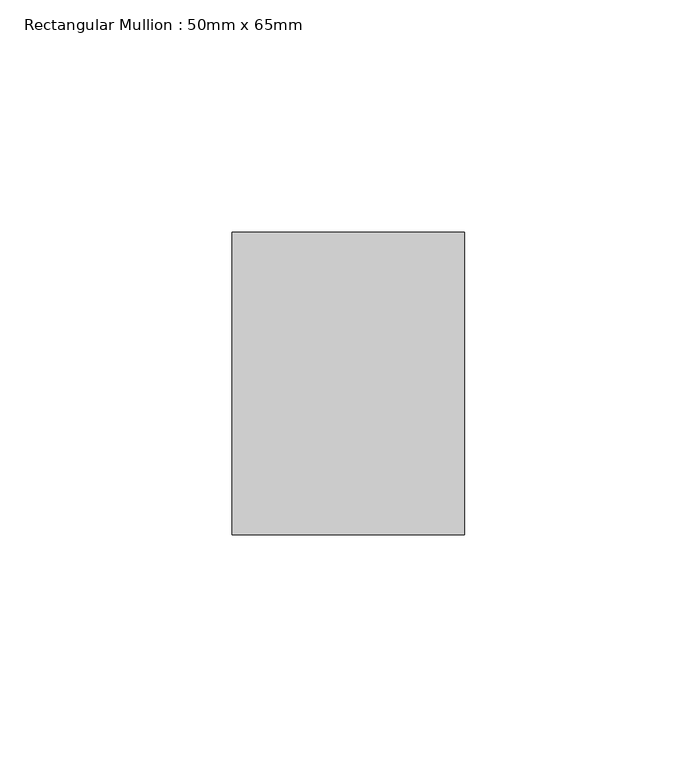
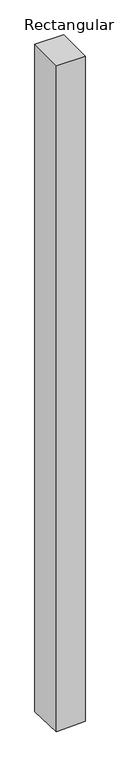
"""IFC4 building model written with IfcOpenShell, lengths in millimetres: member geometry, Rectangular Mullion : 50mm x 65mm."""

import ifcopenshell
import ifcopenshell.guid

model = None  # the IFC model being written
_history = None  # IfcOwnerHistory: only IFC2X3 demands one
_inside = {}  # id of a spatial element -> (the spatial element, [elements in it])
_under = {}  # id of a project, library or spatial element -> (it, [spatial elements below it])
_declared = {}  # id of a project -> (the project, [libraries it declares])
_typed = {}  # id of a type object -> (the type object, [elements of that type])
_made_of = {}  # id of a material, layer set ... -> (it, [elements and type objects made of it])


def new_model(schema):
    """Start an empty IFC model of exactly this schema.

    Asked for "IFC4X3", IfcOpenShell would pick the latest addendum, in which some entities
    have other attributes; the version numbers below select the first issue.
    IFC2X3 requires an IfcOwnerHistory on every rooted entity: one is made here for all.
    """
    global model, _history
    if schema == "IFC4X3":
        model = ifcopenshell.file(schema_version=(4, 3, 0, 0))
    else:
        model = ifcopenshell.file(schema=schema)
    _inside.clear()
    _under.clear()
    _declared.clear()
    _typed.clear()
    _made_of.clear()
    _history = None
    if model.schema == "IFC2X3":
        org = make("IfcOrganization", Name="unknown")
        user = make(
            "IfcPersonAndOrganization",
            ThePerson=make("IfcPerson", FamilyName="unknown"),
            TheOrganization=org,
        )
        app = make(
            "IfcApplication",
            ApplicationDeveloper=org,
            Version="unknown",
            ApplicationFullName="unknown",
            ApplicationIdentifier="unknown",
        )
        _history = make(
            "IfcOwnerHistory",
            OwningUser=user,
            OwningApplication=app,
            ChangeAction="ADDED",
            CreationDate=0,
        )
    return model


def make(cls, **values):
    """One entity of the class cls with the attributes given. An attribute that is None is left unset."""
    return model.create_entity(
        cls, **{name: value for name, value in values.items() if value is not None}
    )


def rooted(cls, **values):
    """An entity with a GlobalId (a new one), such as an element, a storey or a relation."""
    return make(cls, GlobalId=ifcopenshell.guid.new(), OwnerHistory=_history, **values)


def si_unit(unit_type, name, prefix=None):
    """IfcSIUnit, for example si_unit("LENGTHUNIT", "METRE", prefix="MILLI")."""
    return make("IfcSIUnit", UnitType=unit_type, Prefix=prefix, Name=name)


def assignment(units):
    """IfcUnitAssignment: the units of a project."""
    return None if units is None else make("IfcUnitAssignment", Units=units)


def point(xyz):
    """IfcCartesianPoint."""
    return None if xyz is None else make("IfcCartesianPoint", Coordinates=xyz)


def direction(xyz):
    """IfcDirection."""
    return None if xyz is None else make("IfcDirection", DirectionRatios=xyz)


def frame(location, z_axis=None, x_axis=None):
    """IfcAxis2Placement3D, a coordinate frame: its origin and axes. An axis left out is left unset."""
    return make(
        "IfcAxis2Placement3D",
        Location=point(location),
        Axis=direction(z_axis),
        RefDirection=direction(x_axis),
    )


def origin():
    """The frame at (0, 0, 0) with its axes left unset."""
    return frame((0.0, 0.0, 0.0))


def place(relative_to, where):
    """IfcLocalPlacement: puts the frame where relative to a parent placement (None: the world)."""
    return make(
        "IfcLocalPlacement", PlacementRelTo=relative_to, RelativePlacement=where
    )


def context(
    kind, dimensions, precision=None, world=None, true_north=None, identifier=None
):
    """IfcGeometricRepresentationContext, for example the 3D "Model" context."""
    return make(
        "IfcGeometricRepresentationContext",
        ContextIdentifier=identifier,
        ContextType=kind,
        CoordinateSpaceDimension=dimensions,
        Precision=precision,
        WorldCoordinateSystem=world,
        TrueNorth=true_north,
    )


def project(units=None, contexts=None):
    """IfcProject with its units and contexts."""
    return rooted(
        "IfcProject",
        Name="project",
        RepresentationContexts=contexts,
        UnitsInContext=assignment(units),
    )


def spatial(cls, under=None, at=None, **own):
    """A site, building, storey or space (cls), placed at a placement, below another one or the project."""
    s = rooted(cls, ObjectPlacement=at, **own)
    if under is not None:
        _under.setdefault(under.id(), (under, []))[1].append(s)
    return s


def faces_of(points, faces, orient=None, outer=None):
    """IfcFace entities. A face is a list of loops; a loop is a list of indices into points, from 0.

    orient and outer hold one flag for each loop. By default every Orientation is true, the
    first loop of a face is its IfcFaceOuterBound and the others are IfcFaceBound.
    """
    made = []
    for i, loops in enumerate(faces):
        bounds = []
        for j, loop in enumerate(loops):
            is_outer = j == 0 if outer is None else outer[i][j]
            bounds.append(
                make(
                    "IfcFaceOuterBound" if is_outer else "IfcFaceBound",
                    Bound=make("IfcPolyLoop", Polygon=[points[k] for k in loop]),
                    Orientation=True if orient is None else orient[i][j],
                )
            )
        made.append(make("IfcFace", Bounds=bounds))
    return made


def faceted_brep(points, faces, orient=None, outer=None, voids=None):
    """IfcFacetedBrep: a solid bounded by flat faces; with voids (closed shells), ...WithVoids."""
    shared = [point(p) for p in points]
    hull = make("IfcClosedShell", CfsFaces=faces_of(shared, faces, orient, outer))
    if voids is None:
        return make("IfcFacetedBrep", Outer=hull)
    return make(
        "IfcFacetedBrepWithVoids",
        Outer=hull,
        Voids=[
            make(cls, CfsFaces=faces_of(shared, fs, o, b)) for cls, fs, o, b in voids
        ],
    )


def shape(context_of_items, identifier, shape_type, items):
    """IfcShapeRepresentation: the items that make up one representation, for example the "Body"."""
    return make(
        "IfcShapeRepresentation",
        ContextOfItems=context_of_items,
        RepresentationIdentifier=identifier,
        RepresentationType=shape_type,
        Items=items,
    )


def source(mapping_origin, context_of_items, identifier, shape_type, items):
    """IfcRepresentationMap: a shape defined once, which mapped items show again and again."""
    return make(
        "IfcRepresentationMap",
        MappingOrigin=mapping_origin,
        MappedRepresentation=shape(context_of_items, identifier, shape_type, items),
    )


def transform(
    local_origin,
    x_axis=None,
    y_axis=None,
    z_axis=None,
    scale=None,
    scale2=None,
    scale3=None,
    uniform=True,
):
    """IfcCartesianTransformationOperator3D, or its non-uniform kind. x_axis, y_axis, z_axis: its Axis1, 2, 3."""
    if uniform:
        return make(
            "IfcCartesianTransformationOperator3D",
            Axis1=direction(x_axis),
            Axis2=direction(y_axis),
            LocalOrigin=point(local_origin),
            Scale=scale,
            Axis3=direction(z_axis),
        )
    return make(
        "IfcCartesianTransformationOperator3DnonUniform",
        Axis1=direction(x_axis),
        Axis2=direction(y_axis),
        LocalOrigin=point(local_origin),
        Scale=scale,
        Axis3=direction(z_axis),
        Scale2=scale2,
        Scale3=scale3,
    )


def mapped(mapping_source, mapping_target):
    """IfcMappedItem: shows the shape of a source again, moved by a transform."""
    return make(
        "IfcMappedItem", MappingSource=mapping_source, MappingTarget=mapping_target
    )


def made_of(thing, what):
    """Note that an element or type object is made of a material, layer set ...; save() writes the relation."""
    if what is not None:
        _made_of.setdefault(what.id(), (what, []))[1].append(thing)
    return thing


def element(
    cls,
    number,
    at=None,
    inside=None,
    cuts=None,
    type_object=None,
    material=None,
    context=None,
    identifier="Body",
    shape_type=None,
    held_by="IfcProductDefinitionShape",
    body=None,
    shapes=None,
    **own,
):
    """One element of the class cls, such as IfcWall. Its Tag is "e" and its number.

    at: its placement. inside: the storey or other place that contains it. cuts: it is an
    opening in that element (IfcRelVoidsElement). A single representation is given by context,
    identifier, shape_type and body (its items); several are given by shapes. held_by: the class
    of the entity that holds the representations. save() writes the other relations.
    """
    e = rooted(cls, Tag="e%d" % number, ObjectPlacement=at, **own)
    if body is not None:
        shapes = [shape(context, identifier, shape_type, body)]
    if shapes is not None:
        e.Representation = make(held_by, Representations=shapes)
    if inside is not None:
        _inside.setdefault(inside.id(), (inside, []))[1].append(e)
    if cuts is not None:
        rooted(
            "IfcRelVoidsElement", RelatingBuildingElement=cuts, RelatedOpeningElement=e
        )
    if type_object is not None:
        _typed.setdefault(type_object.id(), (type_object, []))[1].append(e)
    return made_of(e, material)


def aggregate(whole, parts):
    """IfcRelAggregates: a whole, such as a stair, and the parts it consists of."""
    return rooted("IfcRelAggregates", RelatingObject=whole, RelatedObjects=parts)


def save(model, path):
    """Write the relations noted so far, then the file.

    IfcRelAggregates (storeys below a building ...), IfcRelContainedInSpatialStructure (elements
    in a storey), IfcRelDefinesByType, IfcRelAssociatesMaterial and IfcRelDeclares: one each for
    every whole, place, type object, material and project.
    """
    for whole, parts in _under.values():
        aggregate(whole, parts)
    for where, things in _inside.values():
        rooted(
            "IfcRelContainedInSpatialStructure",
            RelatedElements=things,
            RelatingStructure=where,
        )
    for kind, things in _typed.values():
        rooted("IfcRelDefinesByType", RelatedObjects=things, RelatingType=kind)
    for what, things in _made_of.values():
        rooted("IfcRelAssociatesMaterial", RelatedObjects=things, RelatingMaterial=what)
    for by, libraries in _declared.values():
        rooted("IfcRelDeclares", RelatingContext=by, RelatedDefinitions=libraries)
    model.write(path)


def rectangular_mullion_50mm_x_65mm_1c271bc4(model_context):
    return source(origin(), model_context, "Body", "Brep", [
        faceted_brep([(25.0, 32.5, 0.0), (-25.0, 32.5, 0.0), (-25.0, -32.5, 0.0), (25.0, -32.5, 0.0), (25.0, 32.5, -1230.3568613), (-25.0, 32.5, -1232.3920916), (-25.0, -32.5, -1230.0016628), (25.0, -32.5, -1227.9664324)], [[[0, 1, 2, 3]], [[1, 0, 4, 5]], [[2, 1, 5, 6]], [[3, 2, 6, 7]], [[0, 3, 7, 4]], [[4, 7, 6, 5]]]),
    ])


if __name__ == "__main__":
    model = new_model("IFC4")
    model_context = context("Model", 3, world=origin())
    ifc_project = project(units=[si_unit("LENGTHUNIT", "METRE", prefix="MILLI")], contexts=[model_context])
    site = spatial("IfcSite", under=ifc_project)
    building = spatial("IfcBuilding", under=site)
    placement = place(None, origin())
    rectangular_mullion_50mm_x_65mm_shape = rectangular_mullion_50mm_x_65mm_1c271bc4(model_context)
    element("IfcMember", 1, ObjectType="Rectangular Mullion : 50mm x 65mm", at=placement, inside=building, context=model_context, shape_type="MappedRepresentation", body=[
        mapped(rectangular_mullion_50mm_x_65mm_shape, transform((0.0, 0.0, 0.0), x_axis=(1.0, 0.0, 0.0), y_axis=(0.0, 1.0, 0.0), z_axis=(0.0, 0.0, 1.0))),
    ])
    save(model, "model.ifc")
